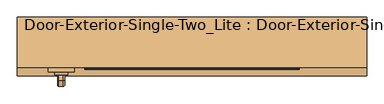
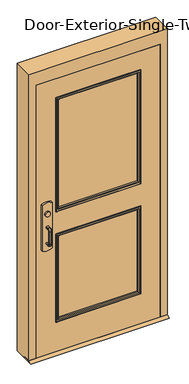
"""IFC4 building model written with IfcOpenShell, lengths in millimetres: door geometry, Door-Exterior-Single-Two_Lite : Door-Exterior-Single-Two_Lite."""

from ifc_helpers import new_model, si_unit, point, frame, frame_2d, origin, place, context, project, spatial, polyline, circle_curve, ellipse_curve, trimmed, segment, composite_curve, outline, extrude, faceted_brep, source, transform, mapped, element, save
from ifc_brep_helpers import plane_surface, cylinder_surface, revolved_surface, advanced_brep


def door_exterior_single_two_lite_door_exterior_single_two_lite_ecbabfca(model_context):
    return source(origin(), model_context, "Body", "SolidModel", [
        extrude(outline(polyline([(-184.15, 12.7), (-158.75, 0.0), (-254.0, 0.0), (-228.6, 12.7), (-184.15, 12.7)])), frame((-508.0, 0.0, 0.0), z_axis=(1.0, 0.0, 0.0), x_axis=(0.0, 1.0, 0.0)), (0.0, 0.0, 1.0), 1016.0),
        extrude(outline(polyline([(150.2833333, -146.05), (150.2833333, -152.4), (-349.25, -152.4), (-349.25, -146.05), (150.2833333, -146.05)])), frame((0.0, 0.0, 990.6), z_axis=(0.0, 0.0, 1.0), x_axis=(1.0, 0.0, 0.0)), (0.0, 0.0, 1.0), 50.8),
        advanced_brep(
        [(-412.75, -152.4, 1041.4), (-349.25, -152.4, 1041.4), (400.05, -152.4, 1041.4), (400.05, -152.4, 990.6), (-349.25, -152.4, 990.6), (-412.75, -152.4, 990.6), (400.05, -184.15, 1041.4), (-349.25, -184.15, 1041.4), (-349.25, -184.15, 1104.9), (-368.3, -184.15, 1123.95), (-393.7, -184.15, 1123.95), (-412.75, -184.15, 1104.9), (-412.75, -184.15, 927.1), (-393.7, -184.15, 908.05), (-368.3, -184.15, 908.05), (-349.25, -184.15, 927.1), (-349.25, -184.15, 990.6), (400.05, -184.15, 990.6), (-412.75, -155.5752467, 1041.4), (-349.25, -155.5752467, 1041.4), (-412.75, -155.5752467, 990.6), (-412.75, -160.5854269, 927.1), (-412.75, -160.5854269, 1104.9), (-349.25, -155.5752467, 990.6), (-349.25, -160.5854269, 1104.9), (-349.25, -160.5854269, 927.1), (-368.3, -162.088481, 1123.95), (-393.7, -162.088481, 1123.95), (-393.7, -162.088481, 908.05), (-368.3, -162.088481, 908.05)],
        [
            (0, 1),
            (1, 2),
            (2, 3),
            (3, 4),
            (4, 5),
            (5, 0),
            (6, 7),
            (7, 8),
            (8, 9, circle_curve(frame((-368.3, -184.15, 1104.9), z_axis=(0.0, -1.0, 0.0), x_axis=(1.0, 0.0, 0.0)), 19.05)),
            (9, 10),
            (10, 11, circle_curve(frame((-393.7, -184.15, 1104.9), z_axis=(0.0, -1.0, 0.0), x_axis=(1.0, 0.0, 0.0)), 19.05)),
            (11, 12),
            (12, 13, circle_curve(frame((-393.7, -184.15, 927.1), z_axis=(0.0, -1.0, 0.0), x_axis=(1.0, 0.0, 0.0)), 19.05)),
            (13, 14),
            (14, 15, circle_curve(frame((-368.3, -184.15, 927.1), z_axis=(0.0, -1.0, 0.0), x_axis=(1.0, 0.0, 0.0)), 19.05)),
            (15, 16),
            (16, 17),
            (17, 6),
            (0, 18),
            (18, 19),
            (19, 7),
            (6, 2),
            (5, 20),
            (20, 21),
            (21, 12),
            (11, 22),
            (22, 18),
            (16, 23),
            (23, 20),
            (3, 17),
            (19, 24),
            (24, 8),
            (15, 25),
            (25, 23),
            (9, 26),
            (26, 27),
            (27, 10),
            (13, 28),
            (28, 29),
            (29, 14),
            (29, 25, ellipse_curve(frame((-368.3, -160.5854269, 927.1), z_axis=(0.0, -0.9969018152893365, 0.07865602756830282), x_axis=(0.0, 0.07865602756830208, 0.9969018152893365)), 19.1092038, 19.05)),
            (24, 26, ellipse_curve(frame((-368.3, -160.5854269, 1104.9), z_axis=(0.0, -0.9969018152893376, -0.07865602756828934), x_axis=(0.0, 0.078656027568288, -0.9969018152893377)), 19.1092038, 19.05)),
            (27, 22, ellipse_curve(frame((-393.7, -160.5854269, 1104.9), z_axis=(0.0, -0.9969018152893376, -0.07865602756828934), x_axis=(0.0, 0.078656027568288, -0.9969018152893377)), 19.1092038, 19.05)),
            (21, 28, ellipse_curve(frame((-393.7, -160.5854269, 927.1), z_axis=(0.0, -0.9969018152893365, 0.07865602756830282), x_axis=(0.0, 0.07865602756830208, 0.9969018152893365)), 19.1092038, 19.05)),
        ],
        [
            plane_surface(frame((-412.75, -152.4, 1041.4), z_axis=(0.0, 1.0, 0.0), x_axis=(-1.0, 0.0, 0.0))),
            plane_surface(frame((-412.75, -184.15, 1041.4), z_axis=(0.0, -1.0, 0.0), x_axis=(1.0, 0.0, 0.0))),
            plane_surface(frame((400.05, -152.4, 1041.4), z_axis=(0.0, 0.0, 1.0), x_axis=(0.0, -1.0, 0.0))),
            plane_surface(frame((-412.75, -152.4, 1041.4), z_axis=(-1.0, 0.0, 0.0), x_axis=(0.0, -1.0, 0.0))),
            plane_surface(frame((-412.75, -152.4, 990.6), z_axis=(0.0, 0.0, -1.0), x_axis=(0.0, -1.0, 0.0))),
            plane_surface(frame((400.05, -152.4, 990.6), z_axis=(1.0, 0.0, 0.0), x_axis=(0.0, -1.0, 0.0))),
            plane_surface(frame((-349.25, -155.5752467, 927.1), z_axis=(1.0, 0.0, 0.0), x_axis=(0.0, -1.0, 0.0))),
            plane_surface(frame((-368.3, -155.5752467, 1123.95), z_axis=(0.0, 0.0, 1.0), x_axis=(0.0, -1.0, 0.0))),
            plane_surface(frame((-393.7, -155.5752467, 908.05), z_axis=(0.0, 0.0, -1.0), x_axis=(0.0, -1.0, 0.0))),
            cylinder_surface(frame((-368.3, -184.15, 927.1), z_axis=(0.0, 1.0, 0.0), x_axis=(1.0, 0.0, 0.0)), 19.05),
            cylinder_surface(frame((-368.3, -184.15, 1104.9), z_axis=(0.0, 1.0, 0.0), x_axis=(1.0, 0.0, 0.0)), 19.05),
            cylinder_surface(frame((-393.7, -184.15, 1104.9), z_axis=(0.0, 1.0, 0.0), x_axis=(1.0, 0.0, 0.0)), 19.05),
            cylinder_surface(frame((-393.7, -184.15, 927.1), z_axis=(0.0, 1.0, 0.0), x_axis=(1.0, 0.0, 0.0)), 19.05),
            plane_surface(frame((-349.25, -155.5752467, 1041.4), z_axis=(0.0, 0.9969018152893376, 0.07865602756828934), x_axis=(-1.0, 0.0, 0.0))),
            plane_surface(frame((-349.25, -162.088481, 908.05), z_axis=(0.0, 0.9969018152893365, -0.07865602756830282), x_axis=(-1.0, 0.0, 0.0))),
        ],
        [
            (0, [[1, 2, 3, 4, 5, 6]]),
            (1, [[7, 8, 9, 10, 11, 12, 13, 14, 15, 16, 17, 18]]),
            (2, [[-2, -1, 19, 20, 21, -7, 22]]),
            (3, [[23, 24, 25, -12, 26, 27, -19, -6]]),
            (4, [[-17, 28, 29, -23, -5, -4, 30]]),
            (5, [[-22, -18, -30, -3]]),
            (6, [[-21, 31, 32, -8]]),
            (6, [[33, 34, -28, -16]]),
            (7, [[35, 36, 37, -10]]),
            (8, [[38, 39, 40, -14]]),
            (9, [[-40, 41, -33, -15]]),
            (10, [[-32, 42, -35, -9]]),
            (11, [[-37, 43, -26, -11]]),
            (12, [[-25, 44, -38, -13]]),
            (13, [[-27, -43, -36, -42, -31, -20]]),
            (14, [[-29, -34, -41, -39, -44, -24]]),
        ],
    ),
        advanced_brep(
        [(-391.0, -241.3, 1017.190625), (-387.428125, -241.3, 1020.7625), (-374.571875, -241.3, 1020.7625), (-371.0, -241.3, 1017.190625), (-371.0, -241.3, 1014.8090406), (-374.5715406, -241.3, 1011.2375), (-387.428125, -241.3, 1011.2375), (-391.0, -241.3, 1014.809375), (-391.0, -241.3, 887.809375), (-391.0, -241.3, 890.190625), (-387.428125, -241.3, 893.7625), (-374.5715406, -241.3, 893.7625), (-371.0, -241.3, 890.1909594), (-371.0, -241.3, 887.809375), (-374.571875, -241.3, 884.2375), (-387.428125, -241.3, 884.2375), (-391.0, -266.7, 1014.809375), (-391.0, -278.209375, 1003.3), (-391.0, -278.209375, 901.7), (-391.0, -266.7, 890.190625), (-391.0, -266.7, 887.809375), (-391.0, -280.590625, 901.7), (-391.0, -280.590625, 1003.3), (-391.0, -266.7, 1017.190625), (-387.428125, -266.7, 1011.2375), (-374.5715406, -266.7, 1011.2375), (-371.0, -266.7, 1014.8090406), (-371.0, -266.7, 1017.190625), (-371.0, -280.590625, 1003.3), (-371.0, -280.590625, 901.7), (-371.0, -266.7, 887.809375), (-371.0, -266.7, 890.1909594), (-371.0, -278.2090406, 901.7), (-371.0, -278.2090406, 1003.3), (-374.571875, -266.7, 1020.7625), (-387.428125, -266.7, 1020.7625), (-387.428125, -274.6375, 1003.3), (-374.5715406, -274.6375, 1003.3), (-374.571875, -284.1625, 1003.3), (-387.428125, -284.1625, 1003.3), (-387.428125, -274.6375, 901.7), (-374.5715406, -274.6375, 901.7), (-374.571875, -284.1625, 901.7), (-387.428125, -284.1625, 901.7), (-387.428125, -266.7, 893.7625), (-374.5715406, -266.7, 893.7625), (-374.571875, -266.7, 884.2375), (-387.428125, -266.7, 884.2375)],
        [
            (0, 1, circle_curve(frame((-387.428125, -241.3, 1017.190625), z_axis=(0.0, 1.0, 0.0), x_axis=(0.0, 0.0, 1.0)), 3.571875)),
            (1, 2),
            (2, 3, circle_curve(frame((-374.571875, -241.3, 1017.190625), z_axis=(0.0, 1.0, 0.0), x_axis=(0.0, 0.0, 1.0)), 3.571875)),
            (3, 4),
            (4, 5, circle_curve(frame((-374.5715406, -241.3, 1014.8090406), z_axis=(0.0, 1.0, 0.0), x_axis=(0.0, 0.0, 1.0)), 3.5715406)),
            (5, 6),
            (6, 7, circle_curve(frame((-387.428125, -241.3, 1014.809375), z_axis=(0.0, 1.0, 0.0), x_axis=(0.0, 0.0, 1.0)), 3.571875)),
            (7, 0),
            (8, 9),
            (9, 10, circle_curve(frame((-387.428125, -241.3, 890.190625), z_axis=(0.0, 1.0, 0.0), x_axis=(0.0, 0.0, -1.0)), 3.571875)),
            (10, 11),
            (11, 12, circle_curve(frame((-374.5715406, -241.3, 890.1909594), z_axis=(0.0, 1.0, 0.0), x_axis=(0.0, 0.0, -1.0)), 3.5715406)),
            (12, 13),
            (13, 14, circle_curve(frame((-374.571875, -241.3, 887.809375), z_axis=(0.0, 1.0, 0.0), x_axis=(0.0, 0.0, -1.0)), 3.571875)),
            (14, 15),
            (15, 8, circle_curve(frame((-387.428125, -241.3, 887.809375), z_axis=(0.0, 1.0, 0.0), x_axis=(0.0, 0.0, -1.0)), 3.571875)),
            (7, 16),
            (16, 17, circle_curve(frame((-391.0, -266.7, 1003.3), z_axis=(1.0, 0.0, 0.0), x_axis=(0.0, 0.0, 1.0)), 11.509375)),
            (17, 18),
            (18, 19, circle_curve(frame((-391.0, -266.7, 901.7), z_axis=(1.0, 0.0, 0.0), x_axis=(0.0, -1.0, 0.0)), 11.509375)),
            (19, 9),
            (8, 20),
            (20, 21, circle_curve(frame((-391.0, -266.7, 901.7), z_axis=(-1.0, 0.0, 0.0), x_axis=(0.0, -1.0, 0.0)), 13.890625)),
            (21, 22),
            (22, 23, circle_curve(frame((-391.0, -266.7, 1003.3), z_axis=(-1.0, 0.0, 0.0), x_axis=(0.0, 0.0, 1.0)), 13.890625)),
            (23, 0),
            (6, 24),
            (24, 16, circle_curve(frame((-387.428125, -266.7, 1014.809375), z_axis=(0.0, 1.0, 0.0), x_axis=(0.0, 0.0, 1.0)), 3.571875)),
            (5, 25),
            (25, 24),
            (4, 26),
            (26, 25, circle_curve(frame((-374.5715406, -266.7, 1014.8090406), z_axis=(0.0, 1.0, 0.0), x_axis=(0.0, 0.0, 1.0)), 3.5715406)),
            (3, 27),
            (27, 28, circle_curve(frame((-371.0, -266.7, 1003.3), z_axis=(1.0, 0.0, 0.0), x_axis=(0.0, 0.0, 1.0)), 13.890625)),
            (28, 29),
            (29, 30, circle_curve(frame((-371.0, -266.7, 901.7), z_axis=(1.0, 0.0, 0.0), x_axis=(0.0, -1.0, 0.0)), 13.890625)),
            (30, 13),
            (12, 31),
            (31, 32, circle_curve(frame((-371.0, -266.7, 901.7), z_axis=(-1.0, 0.0, 0.0), x_axis=(0.0, -1.0, 0.0)), 11.5090406)),
            (32, 33),
            (33, 26, circle_curve(frame((-371.0, -266.7, 1003.3), z_axis=(-1.0, 0.0, 0.0), x_axis=(0.0, 0.0, 1.0)), 11.5090406)),
            (2, 34),
            (34, 27, circle_curve(frame((-374.571875, -266.7, 1017.190625), z_axis=(0.0, 1.0, 0.0), x_axis=(0.0, 0.0, 1.0)), 3.571875)),
            (1, 35),
            (35, 34),
            (23, 35, circle_curve(frame((-387.428125, -266.7, 1017.190625), z_axis=(0.0, 1.0, 0.0), x_axis=(0.0, 0.0, 1.0)), 3.571875)),
            (36, 17, circle_curve(frame((-387.428125, -278.209375, 1003.3), z_axis=(0.0, 0.0, 1.0), x_axis=(0.0, -1.0, 0.0)), 3.571875)),
            (24, 36, circle_curve(frame((-387.428125, -266.7, 1003.3), z_axis=(1.0, 0.0, 0.0), x_axis=(0.0, 0.0, 1.0)), 7.9375)),
            (37, 36),
            (25, 37, circle_curve(frame((-374.5715406, -266.7, 1003.3), z_axis=(1.0, 0.0, 0.0), x_axis=(0.0, 0.0, 1.0)), 7.9375)),
            (33, 37, circle_curve(frame((-374.5715406, -278.2090406, 1003.3), z_axis=(0.0, 0.0, 1.0), x_axis=(0.0, -1.0, 0.0)), 3.5715406)),
            (38, 28, circle_curve(frame((-374.571875, -280.590625, 1003.3), z_axis=(0.0, 0.0, 1.0), x_axis=(0.0, -1.0, 0.0)), 3.571875)),
            (34, 38, circle_curve(frame((-374.571875, -266.7, 1003.3), z_axis=(1.0, 0.0, 0.0), x_axis=(0.0, 0.0, 1.0)), 17.4625)),
            (39, 38),
            (35, 39, circle_curve(frame((-387.428125, -266.7, 1003.3), z_axis=(1.0, 0.0, 0.0), x_axis=(0.0, 0.0, 1.0)), 17.4625)),
            (22, 39, circle_curve(frame((-387.428125, -280.590625, 1003.3), z_axis=(0.0, 0.0, 1.0), x_axis=(0.0, -1.0, 0.0)), 3.571875)),
            (36, 40),
            (40, 18, circle_curve(frame((-387.428125, -278.209375, 901.7), z_axis=(0.0, 0.0, 1.0), x_axis=(0.0, -1.0, 0.0)), 3.571875)),
            (37, 41),
            (41, 40),
            (32, 41, circle_curve(frame((-374.5715406, -278.2090406, 901.7), z_axis=(0.0, 0.0, 1.0), x_axis=(0.0, -1.0, 0.0)), 3.5715406)),
            (38, 42),
            (42, 29, circle_curve(frame((-374.571875, -280.590625, 901.7), z_axis=(0.0, 0.0, 1.0), x_axis=(0.0, -1.0, 0.0)), 3.571875)),
            (39, 43),
            (43, 42),
            (21, 43, circle_curve(frame((-387.428125, -280.590625, 901.7), z_axis=(0.0, 0.0, 1.0), x_axis=(0.0, -1.0, 0.0)), 3.571875)),
            (44, 19, circle_curve(frame((-387.428125, -266.7, 890.190625), z_axis=(0.0, -1.0, 0.0), x_axis=(0.0, 0.0, -1.0)), 3.571875)),
            (40, 44, circle_curve(frame((-387.428125, -266.7, 901.7), z_axis=(1.0, 0.0, 0.0), x_axis=(0.0, -1.0, 0.0)), 7.9375)),
            (45, 44),
            (41, 45, circle_curve(frame((-374.5715406, -266.7, 901.7), z_axis=(1.0, 0.0, 0.0), x_axis=(0.0, -1.0, 0.0)), 7.9375)),
            (31, 45, circle_curve(frame((-374.5715406, -266.7, 890.1909594), z_axis=(0.0, -1.0, 0.0), x_axis=(0.0, 0.0, -1.0)), 3.5715406)),
            (46, 30, circle_curve(frame((-374.571875, -266.7, 887.809375), z_axis=(0.0, -1.0, 0.0), x_axis=(0.0, 0.0, -1.0)), 3.571875)),
            (42, 46, circle_curve(frame((-374.571875, -266.7, 901.7), z_axis=(1.0, 0.0, 0.0), x_axis=(0.0, -1.0, 0.0)), 17.4625)),
            (47, 46),
            (43, 47, circle_curve(frame((-387.428125, -266.7, 901.7), z_axis=(1.0, 0.0, 0.0), x_axis=(0.0, -1.0, 0.0)), 17.4625)),
            (20, 47, circle_curve(frame((-387.428125, -266.7, 887.809375), z_axis=(0.0, -1.0, 0.0), x_axis=(0.0, 0.0, -1.0)), 3.571875)),
            (44, 10),
            (45, 11),
            (46, 14),
            (47, 15),
        ],
        [
            plane_surface(frame((-381.0, -241.3, 1016.0), z_axis=(0.0, 1.0, 0.0), x_axis=(1.0, 0.0, 0.0))),
            plane_surface(frame((-381.0, -241.3, 889.0), z_axis=(0.0, 1.0, 0.0), x_axis=(1.0, 0.0, 0.0))),
            plane_surface(frame((-391.0, -241.3, 1017.190625), z_axis=(-1.0, 0.0, 0.0), x_axis=(0.0, -1.0, 0.0))),
            cylinder_surface(frame((-387.428125, -241.3, 1014.809375), z_axis=(0.0, 1.0, 0.0), x_axis=(0.0, 0.0, 1.0)), 3.571875),
            plane_surface(frame((-387.428125, -241.3, 1011.2375), z_axis=(0.0, 0.0, -1.0), x_axis=(0.0, -1.0, 0.0))),
            cylinder_surface(frame((-374.5715406, -241.3, 1014.8090406), z_axis=(0.0, 1.0, 0.0), x_axis=(0.0, 0.0, 1.0)), 3.5715406),
            plane_surface(frame((-371.0, -241.3, 1014.8090406), z_axis=(1.0, 0.0, 0.0), x_axis=(0.0, -1.0, 0.0))),
            cylinder_surface(frame((-374.571875, -241.3, 1017.190625), z_axis=(0.0, 1.0, 0.0), x_axis=(0.0, 0.0, 1.0)), 3.571875),
            plane_surface(frame((-374.571875, -241.3, 1020.7625), z_axis=(0.0, 0.0, 1.0), x_axis=(0.0, -1.0, 0.0))),
            cylinder_surface(frame((-387.428125, -241.3, 1017.190625), z_axis=(0.0, 1.0, 0.0), x_axis=(0.0, 0.0, 1.0)), 3.571875),
            revolved_surface(trimmed(ellipse_curve(frame((-387.428125, -266.7, 1014.809375), z_axis=(0.0, -1.0, 0.0), x_axis=(0.0, 0.0, 1.0)), 3.571875, 3.571875), [point((-391.0, -266.7, 1014.809375))], [point((-387.428125, -266.7, 1011.2375))], True, "CARTESIAN"), (-381.0, -266.7, 1003.3), (-1.0, 0.0, 0.0)),
            revolved_surface(polyline([(-387.428125, -266.7, 1011.2375), (-374.5715406, -266.7, 1011.2375)]), (-381.0, -266.7, 1003.3), (-1.0, 0.0, 0.0)),
            revolved_surface(trimmed(ellipse_curve(frame((-374.5715406, -266.7, 1014.8090406), z_axis=(0.0, -1.0, 0.0), x_axis=(0.0, 0.0, 1.0)), 3.5715406, 3.5715406), [point((-374.5715406, -266.7, 1011.2375))], [point((-371.0, -266.7, 1014.8090406))], True, "CARTESIAN"), (-381.0, -266.7, 1003.3), (-1.0, 0.0, 0.0)),
            revolved_surface(trimmed(ellipse_curve(frame((-374.571875, -266.7, 1017.190625), z_axis=(0.0, -1.0, 0.0), x_axis=(0.0, 0.0, 1.0)), 3.571875, 3.571875), [point((-371.0, -266.7, 1017.190625))], [point((-374.571875, -266.7, 1020.7625))], True, "CARTESIAN"), (-381.0, -266.7, 1003.3), (-1.0, 0.0, 0.0)),
            cylinder_surface(frame((-381.0, -266.7, 1003.3), z_axis=(-1.0, 0.0, 0.0), x_axis=(0.0, 0.0, 1.0)), 17.4625),
            revolved_surface(trimmed(ellipse_curve(frame((-387.428125, -266.7, 1017.190625), z_axis=(0.0, -1.0, 0.0), x_axis=(0.0, 0.0, 1.0)), 3.571875, 3.571875), [point((-387.428125, -266.7, 1020.7625))], [point((-391.0, -266.7, 1017.190625))], True, "CARTESIAN"), (-381.0, -266.7, 1003.3), (-1.0, 0.0, 0.0)),
            cylinder_surface(frame((-387.428125, -278.209375, 1003.3), z_axis=(0.0, 0.0, 1.0), x_axis=(0.0, -1.0, 0.0)), 3.571875),
            plane_surface(frame((-387.428125, -274.6375, 1003.3), z_axis=(0.0, 1.0, 0.0), x_axis=(0.0, 0.0, -1.0))),
            cylinder_surface(frame((-374.5715406, -278.2090406, 1003.3), z_axis=(0.0, 0.0, 1.0), x_axis=(0.0, -1.0, 0.0)), 3.5715406),
            cylinder_surface(frame((-374.571875, -280.590625, 1003.3), z_axis=(0.0, 0.0, 1.0), x_axis=(0.0, -1.0, 0.0)), 3.571875),
            plane_surface(frame((-374.571875, -284.1625, 1003.3), z_axis=(0.0, -1.0, 0.0), x_axis=(0.0, 0.0, -1.0))),
            cylinder_surface(frame((-387.428125, -280.590625, 1003.3), z_axis=(0.0, 0.0, 1.0), x_axis=(0.0, -1.0, 0.0)), 3.571875),
            revolved_surface(trimmed(ellipse_curve(frame((-387.428125, -278.209375, 901.7), z_axis=(0.0, 0.0, -1.0), x_axis=(0.0, -1.0, 0.0)), 3.571875, 3.571875), [point((-391.0, -278.209375, 901.7))], [point((-387.428125, -274.6375, 901.7))], True, "CARTESIAN"), (-381.0, -266.7, 901.7), (-1.0, 0.0, 0.0)),
            revolved_surface(polyline([(-387.428125, -274.6375, 901.7), (-374.5715406, -274.6375, 901.7)]), (-381.0, -266.7, 901.7), (-1.0, 0.0, 0.0)),
            revolved_surface(trimmed(ellipse_curve(frame((-374.5715406, -278.2090406, 901.7), z_axis=(0.0, 0.0, -1.0), x_axis=(0.0, -1.0, 0.0)), 3.5715406, 3.5715406), [point((-374.5715406, -274.6375, 901.7))], [point((-371.0, -278.2090406, 901.7))], True, "CARTESIAN"), (-381.0, -266.7, 901.7), (-1.0, 0.0, 0.0)),
            revolved_surface(trimmed(ellipse_curve(frame((-374.571875, -280.590625, 901.7), z_axis=(0.0, 0.0, -1.0), x_axis=(0.0, -1.0, 0.0)), 3.571875, 3.571875), [point((-371.0, -280.590625, 901.7))], [point((-374.571875, -284.1625, 901.7))], True, "CARTESIAN"), (-381.0, -266.7, 901.7), (-1.0, 0.0, 0.0)),
            cylinder_surface(frame((-381.0, -266.7, 901.7), z_axis=(-1.0, 0.0, 0.0), x_axis=(0.0, -1.0, 0.0)), 17.4625),
            revolved_surface(trimmed(ellipse_curve(frame((-387.428125, -280.590625, 901.7), z_axis=(0.0, 0.0, -1.0), x_axis=(0.0, -1.0, 0.0)), 3.571875, 3.571875), [point((-387.428125, -284.1625, 901.7))], [point((-391.0, -280.590625, 901.7))], True, "CARTESIAN"), (-381.0, -266.7, 901.7), (-1.0, 0.0, 0.0)),
            cylinder_surface(frame((-387.428125, -266.7, 890.190625), z_axis=(0.0, -1.0, 0.0), x_axis=(0.0, 0.0, -1.0)), 3.571875),
            plane_surface(frame((-387.428125, -266.7, 893.7625), z_axis=(0.0, 0.0, 1.0), x_axis=(0.0, 1.0, 0.0))),
            cylinder_surface(frame((-374.5715406, -266.7, 890.1909594), z_axis=(0.0, -1.0, 0.0), x_axis=(0.0, 0.0, -1.0)), 3.5715406),
            cylinder_surface(frame((-374.571875, -266.7, 887.809375), z_axis=(0.0, -1.0, 0.0), x_axis=(0.0, 0.0, -1.0)), 3.571875),
            plane_surface(frame((-374.571875, -266.7, 884.2375), z_axis=(0.0, 0.0, -1.0), x_axis=(0.0, 1.0, 0.0))),
            cylinder_surface(frame((-387.428125, -266.7, 887.809375), z_axis=(0.0, -1.0, 0.0), x_axis=(0.0, 0.0, -1.0)), 3.571875),
        ],
        [
            (0, [[1, 2, 3, 4, 5, 6, 7, 8]]),
            (1, [[9, 10, 11, 12, 13, 14, 15, 16]]),
            (2, [[17, 18, 19, 20, 21, -9, 22, 23, 24, 25, 26, -8]]),
            (3, [[27, 28, -17, -7]]),
            (4, [[29, 30, -27, -6]]),
            (5, [[31, 32, -29, -5]]),
            (6, [[33, 34, 35, 36, 37, -13, 38, 39, 40, 41, -31, -4]]),
            (7, [[42, 43, -33, -3]]),
            (8, [[44, 45, -42, -2]]),
            (9, [[-26, 46, -44, -1]]),
            (10, [[47, -18, -28, 48]]),
            (11, [[49, -48, -30, 50]]),
            (12, [[51, -50, -32, -41]]),
            (13, [[52, -34, -43, 53]]),
            (14, [[54, -53, -45, 55]]),
            (15, [[56, -55, -46, -25]]),
            (16, [[57, 58, -19, -47]]),
            (17, [[59, 60, -57, -49]]),
            (18, [[-40, 61, -59, -51]]),
            (19, [[62, 63, -35, -52]]),
            (20, [[64, 65, -62, -54]]),
            (21, [[-24, 66, -64, -56]]),
            (22, [[67, -20, -58, 68]]),
            (23, [[69, -68, -60, 70]]),
            (24, [[71, -70, -61, -39]]),
            (25, [[72, -36, -63, 73]]),
            (26, [[74, -73, -65, 75]]),
            (27, [[76, -75, -66, -23]]),
            (28, [[77, -10, -21, -67]]),
            (29, [[78, -11, -77, -69]]),
            (30, [[-38, -12, -78, -71]]),
            (31, [[79, -14, -37, -72]]),
            (32, [[80, -15, -79, -74]]),
            (33, [[-22, -16, -80, -76]]),
        ],
    ),
        extrude(outline(composite_curve([segment(trimmed(circle_curve(frame_2d((1117.6, -381.0)), 19.0), [point((1117.6, -400.0))], [point((1117.6, -362.0))], False, "CARTESIAN"), True, "CONTINUOUS"), segment(trimmed(circle_curve(frame_2d((1117.6, -381.0)), 19.0), [point((1117.6, -362.0))], [point((1117.6, -400.0))], False, "CARTESIAN"), True, "CONTINUOUS")], self_intersect=False)), frame((0.0, -250.03125, 0.0), z_axis=(0.0, 1.0, 0.0), x_axis=(0.0, 0.0, 1.0)), (0.0, 0.0, 1.0), 8.73125),
        extrude(outline(composite_curve([segment(trimmed(circle_curve(frame_2d((1113.0338574, -381.0)), 89.3016225), [point((1193.8, -342.9))], [point((1193.8, -419.1))], False, "CARTESIAN"), True, "CONTINUOUS"), segment(polyline([(1193.8, -419.1), (838.2, -419.1)]), True, "CONTINUOUS"), segment(trimmed(circle_curve(frame_2d((918.9661426, -381.0)), 89.3016225), [point((838.2, -419.1))], [point((838.2, -342.9))], False, "CARTESIAN"), True, "CONTINUOUS"), segment(polyline([(838.2, -342.9), (1193.8, -342.9)]), True, "CONTINUOUS")], self_intersect=False)), frame((0.0, -241.3, 0.0), z_axis=(0.0, 1.0, 0.0), x_axis=(0.0, 0.0, 1.0)), (0.0, 0.0, 1.0), 12.7),
        faceted_brep([(457.2, -179.3875, 0.0), (441.325, -179.3875, 0.0), (441.325, -131.7625, 0.0), (457.2, -131.7625, 0.0), (457.2, -82.55, 0.0), (508.0, -82.55, 0.0), (508.0, -228.6, 0.0), (457.2, -228.6, 0.0), (457.2, -228.6, 2133.6), (457.2, -179.3875, 2133.6), (508.0, -228.6, 2235.2), (-508.0, -228.6, 2235.2), (-508.0, -228.6, 0.0), (-457.2, -228.6, 0.0), (-457.2, -228.6, 2133.6), (508.0, -82.55, 2235.2), (457.2, -82.55, 2133.6), (-457.2, -82.55, 2133.6), (-457.2, -82.55, 0.0), (-508.0, -82.55, 0.0), (-508.0, -82.55, 2235.2), (457.2, -131.7625, 2133.6), (441.325, -131.7625, 2117.725), (-441.325, -131.7625, 2117.725), (-441.325, -131.7625, 0.0), (-457.2, -131.7625, 0.0), (-457.2, -131.7625, 2133.6), (441.325, -179.3875, 2117.725), (-457.2, -179.3875, 2133.6), (-457.2, -179.3875, 0.0), (-441.325, -179.3875, 0.0), (-441.325, -179.3875, 2117.725)], [[[0, 1, 2, 3, 4, 5, 6, 7]], [[7, 8, 9, 0]], [[6, 10, 11, 12, 13, 14, 8, 7]], [[5, 15, 10, 6]], [[4, 16, 17, 18, 19, 20, 15, 5]], [[3, 21, 16, 4]], [[2, 22, 23, 24, 25, 26, 21, 3]], [[1, 27, 22, 2]], [[0, 9, 28, 29, 30, 31, 27, 1]], [[8, 14, 28, 9]], [[16, 21, 26, 17]], [[22, 27, 31, 23]], [[12, 19, 18, 25, 24, 30, 29, 13]], [[13, 29, 28, 14]], [[11, 20, 19, 12]], [[17, 26, 25, 18]], [[23, 31, 30, 24]], [[15, 20, 11, 10]]]),
        extrude(outline(polyline([(2133.6, -457.2), (12.7, -457.2), (12.7, 457.2), (2133.6, 457.2), (2133.6, -457.2)]), holes=[polyline([(1981.2, -304.8), (1981.2, 304.8), (1111.25, 304.8), (1111.25, -304.8), (1981.2, -304.8)]), polyline([(920.75, -304.8), (920.75, 304.8), (254.0, 304.8), (254.0, -304.8), (920.75, -304.8)])]), frame((0.0, -228.6, 0.0), z_axis=(0.0, 1.0, 0.0), x_axis=(0.0, 0.0, 1.0)), (0.0, 0.0, 1.0), 44.45),
        extrude(outline(polyline([(304.8, -196.85), (304.8, -215.9), (-304.8, -215.9), (-304.8, -196.85), (304.8, -196.85)])), frame((0.0, 0.0, 1111.25), z_axis=(0.0, 0.0, 1.0), x_axis=(1.0, 0.0, 0.0)), (0.0, 0.0, 1.0), 869.95),
        extrude(outline(polyline([(304.8, -196.85), (304.8, -215.9), (-304.8, -215.9), (-304.8, -196.85), (304.8, -196.85)])), frame((0.0, 0.0, 254.0), z_axis=(0.0, 0.0, 1.0), x_axis=(1.0, 0.0, 0.0)), (0.0, 0.0, 1.0), 666.75),
        advanced_brep(
        [(304.8, -196.85, 920.75), (304.8, -196.85, 254.0), (304.8, -184.15, 254.0), (304.8, -184.15, 920.75), (292.8, -183.15, 908.75), (292.8, -183.15, 266.0), (292.8, -196.85, 266.0), (292.8, -196.85, 908.75), (297.8, -178.15, 913.75), (297.8, -178.15, 261.0), (312.8, -180.15, 928.75), (312.8, -180.15, 246.0), (310.8, -178.15, 248.0), (310.8, -178.15, 926.75), (312.8, -184.15, 928.75), (312.8, -184.15, 246.0), (-304.8, -196.85, 254.0), (-304.8, -184.15, 254.0), (-292.8, -183.15, 266.0), (-292.8, -196.85, 266.0), (-297.8, -178.15, 261.0), (-312.8, -180.15, 246.0), (-310.8, -178.15, 248.0), (-312.8, -184.15, 246.0), (-304.8, -196.85, 920.75), (-304.8, -184.15, 920.75), (-292.8, -183.15, 908.75), (-292.8, -196.85, 908.75), (-297.8, -178.15, 913.75), (-312.8, -180.15, 928.75), (-310.8, -178.15, 926.75), (-312.8, -184.15, 928.75)],
        [
            (0, 1),
            (1, 2),
            (2, 3),
            (3, 0),
            (4, 5),
            (5, 6),
            (6, 7),
            (7, 4),
            (8, 9),
            (9, 5, ellipse_curve(frame((297.8, -183.15, 261.0), z_axis=(0.7071067811865475, 0.0, 0.7071067811865475), x_axis=(-0.7071067811865474, 0.0, 0.7071067811865476)), 7.0710678, 5.0)),
            (4, 8, ellipse_curve(frame((297.8, -183.15, 913.75), z_axis=(0.7071067811865475, 0.0, -0.7071067811865475), x_axis=(0.7071067811865474, 0.0, 0.7071067811865476)), 7.0710678, 5.0)),
            (10, 11),
            (11, 12, ellipse_curve(frame((310.8, -180.15, 248.0), z_axis=(0.7071067811865475, 0.0, 0.7071067811865475), x_axis=(-0.7071067811865474, 0.0, 0.7071067811865476)), 2.8284271, 2.0)),
            (12, 13),
            (13, 10, ellipse_curve(frame((310.8, -180.15, 926.75), z_axis=(0.7071067811865475, 0.0, -0.7071067811865475), x_axis=(0.7071067811865474, 0.0, 0.7071067811865476)), 2.8284271, 2.0)),
            (14, 15),
            (15, 11),
            (10, 14),
            (1, 16),
            (16, 17),
            (17, 2),
            (5, 18),
            (18, 19),
            (19, 6),
            (9, 20),
            (20, 18, ellipse_curve(frame((-297.8, -183.15, 261.0), z_axis=(0.7071067811865475, 0.0, -0.7071067811865475), x_axis=(0.7071067811865476, 0.0, 0.7071067811865474)), 7.0710678, 5.0)),
            (11, 21),
            (21, 22, ellipse_curve(frame((-310.8, -180.15, 248.0), z_axis=(0.7071067811865475, 0.0, -0.7071067811865475), x_axis=(0.7071067811865476, 0.0, 0.7071067811865474)), 2.8284271, 2.0)),
            (22, 12),
            (15, 23),
            (23, 21),
            (16, 24),
            (24, 25),
            (25, 17),
            (18, 26),
            (26, 27),
            (27, 19),
            (20, 28),
            (28, 26, ellipse_curve(frame((-297.8, -183.15, 913.75), z_axis=(-0.7071067811865475, 0.0, -0.7071067811865475), x_axis=(0.7071067811865474, 0.0, -0.7071067811865476)), 7.0710678, 5.0)),
            (21, 29),
            (29, 30, ellipse_curve(frame((-310.8, -180.15, 926.75), z_axis=(-0.7071067811865475, 0.0, -0.7071067811865475), x_axis=(0.7071067811865474, 0.0, -0.7071067811865476)), 2.8284271, 2.0)),
            (30, 22),
            (23, 31),
            (31, 29),
            (14, 31),
            (25, 3),
            (24, 0),
            (27, 7),
            (26, 4),
            (28, 8),
            (30, 13),
            (29, 10),
        ],
        [
            plane_surface(frame((304.8, -184.15, 920.75), z_axis=(1.0, 0.0, 0.0), x_axis=(0.0, 0.0, -1.0))),
            plane_surface(frame((292.8, -196.85, 908.75), z_axis=(-1.0, 0.0, 0.0), x_axis=(0.0, 0.0, -1.0))),
            cylinder_surface(frame((297.8, -183.15, 920.75), z_axis=(0.0, 0.0, 1.0), x_axis=(1.0, 0.0, 0.0)), 5.0),
            cylinder_surface(frame((310.8, -180.15, 920.75), z_axis=(0.0, 0.0, 1.0), x_axis=(1.0, 0.0, 0.0)), 2.0),
            plane_surface(frame((312.8, -180.15, 928.75), z_axis=(1.0, 0.0, 0.0), x_axis=(0.0, 0.0, -1.0))),
            plane_surface(frame((304.8, -184.15, 254.0), z_axis=(0.0, 0.0, -1.0), x_axis=(-1.0, 0.0, 0.0))),
            plane_surface(frame((292.8, -196.85, 266.0), z_axis=(0.0, 0.0, 1.0), x_axis=(-1.0, 0.0, 0.0))),
            cylinder_surface(frame((304.8, -183.15, 261.0), z_axis=(1.0, 0.0, 0.0), x_axis=(0.0, 0.0, -1.0)), 5.0),
            cylinder_surface(frame((304.8, -180.15, 248.0), z_axis=(1.0, 0.0, 0.0), x_axis=(0.0, 0.0, -1.0)), 2.0),
            plane_surface(frame((312.8, -180.15, 246.0), z_axis=(0.0, 0.0, -1.0), x_axis=(-1.0, 0.0, 0.0))),
            plane_surface(frame((-304.8, -184.15, 254.0), z_axis=(-1.0, 0.0, 0.0), x_axis=(0.0, 0.0, 1.0))),
            plane_surface(frame((-292.8, -196.85, 266.0), z_axis=(1.0, 0.0, 0.0), x_axis=(0.0, 0.0, 1.0))),
            cylinder_surface(frame((-297.8, -183.15, 254.0), z_axis=(0.0, 0.0, -1.0), x_axis=(-1.0, 0.0, 0.0)), 5.0),
            cylinder_surface(frame((-310.8, -180.15, 254.0), z_axis=(0.0, 0.0, -1.0), x_axis=(-1.0, 0.0, 0.0)), 2.0),
            plane_surface(frame((-312.8, -180.15, 246.0), z_axis=(-1.0, 0.0, 0.0), x_axis=(0.0, 0.0, 1.0))),
            plane_surface(frame((-312.8, -184.15, 928.75), z_axis=(0.0, -1.0, 0.0), x_axis=(1.0, 0.0, 0.0))),
            plane_surface(frame((-304.8, -184.15, 920.75), z_axis=(0.0, 0.0, 1.0), x_axis=(1.0, 0.0, 0.0))),
            plane_surface(frame((-304.8, -196.85, 920.75), z_axis=(0.0, -1.0, 0.0), x_axis=(1.0, 0.0, 0.0))),
            plane_surface(frame((-292.8, -196.85, 908.75), z_axis=(0.0, 0.0, -1.0), x_axis=(1.0, 0.0, 0.0))),
            cylinder_surface(frame((-304.8, -183.15, 913.75), z_axis=(-1.0, 0.0, 0.0), x_axis=(0.0, 0.0, 1.0)), 5.0),
            plane_surface(frame((-297.8, -178.15, 913.75), z_axis=(0.0, 1.0, 0.0), x_axis=(1.0, 0.0, 0.0))),
            cylinder_surface(frame((-304.8, -180.15, 926.75), z_axis=(-1.0, 0.0, 0.0), x_axis=(0.0, 0.0, 1.0)), 2.0),
            plane_surface(frame((-312.8, -180.15, 928.75), z_axis=(0.0, 0.0, 1.0), x_axis=(1.0, 0.0, 0.0))),
        ],
        [
            (0, [[1, 2, 3, 4]]),
            (1, [[5, 6, 7, 8]]),
            (2, [[9, 10, -5, 11]]),
            (3, [[12, 13, 14, 15]]),
            (4, [[16, 17, -12, 18]]),
            (5, [[19, 20, 21, -2]]),
            (6, [[22, 23, 24, -6]]),
            (7, [[25, 26, -22, -10]]),
            (8, [[27, 28, 29, -13]]),
            (9, [[30, 31, -27, -17]]),
            (10, [[32, 33, 34, -20]]),
            (11, [[35, 36, 37, -23]]),
            (12, [[38, 39, -35, -26]]),
            (13, [[40, 41, 42, -28]]),
            (14, [[43, 44, -40, -31]]),
            (15, [[-16, 45, -43, -30], [-3, -21, -34, 46]]),
            (16, [[47, -4, -46, -33]]),
            (17, [[-1, -47, -32, -19], [-7, -24, -37, 48]]),
            (18, [[49, -8, -48, -36]]),
            (19, [[50, -11, -49, -39]]),
            (20, [[-14, -29, -42, 51], [-9, -50, -38, -25]]),
            (21, [[52, -15, -51, -41]]),
            (22, [[-45, -18, -52, -44]]),
        ],
    ),
        advanced_brep(
        [(-304.8, -215.9, 920.75), (-304.8, -215.9, 254.0), (-304.8, -228.6, 254.0), (-304.8, -228.6, 920.75), (-292.8, -229.6, 908.75), (-292.8, -229.6, 266.0), (-292.8, -215.9, 266.0), (-292.8, -215.9, 908.75), (-297.8, -234.6, 913.75), (-297.8, -234.6, 261.0), (-312.8, -232.6, 928.75), (-312.8, -232.6, 246.0), (-310.8, -234.6, 248.0), (-310.8, -234.6, 926.75), (-312.8, -228.6, 928.75), (-312.8, -228.6, 246.0), (304.8, -215.9, 254.0), (304.8, -228.6, 254.0), (292.8, -229.6, 266.0), (292.8, -215.9, 266.0), (297.8, -234.6, 261.0), (312.8, -232.6, 246.0), (310.8, -234.6, 248.0), (312.8, -228.6, 246.0), (304.8, -215.9, 920.75), (304.8, -228.6, 920.75), (292.8, -229.6, 908.75), (292.8, -215.9, 908.75), (297.8, -234.6, 913.75), (312.8, -232.6, 928.75), (310.8, -234.6, 926.75), (312.8, -228.6, 928.75)],
        [
            (0, 1),
            (1, 2),
            (2, 3),
            (3, 0),
            (4, 5),
            (5, 6),
            (6, 7),
            (7, 4),
            (8, 9),
            (9, 5, ellipse_curve(frame((-297.8, -229.6, 261.0), z_axis=(-0.7071067811865475, 0.0, 0.7071067811865475), x_axis=(0.7071067811865474, 0.0, 0.7071067811865476)), 7.0710678, 5.0)),
            (4, 8, ellipse_curve(frame((-297.8, -229.6, 913.75), z_axis=(-0.7071067811865475, 0.0, -0.7071067811865475), x_axis=(-0.7071067811865474, 0.0, 0.7071067811865476)), 7.0710678, 5.0)),
            (10, 11),
            (11, 12, ellipse_curve(frame((-310.8, -232.6, 248.0), z_axis=(-0.7071067811865475, 0.0, 0.7071067811865475), x_axis=(0.7071067811865474, 0.0, 0.7071067811865476)), 2.8284271, 2.0)),
            (12, 13),
            (13, 10, ellipse_curve(frame((-310.8, -232.6, 926.75), z_axis=(-0.7071067811865475, 0.0, -0.7071067811865475), x_axis=(-0.7071067811865474, 0.0, 0.7071067811865476)), 2.8284271, 2.0)),
            (14, 15),
            (15, 11),
            (10, 14),
            (1, 16),
            (16, 17),
            (17, 2),
            (5, 18),
            (18, 19),
            (19, 6),
            (9, 20),
            (20, 18, ellipse_curve(frame((297.8, -229.6, 261.0), z_axis=(-0.7071067811865475, 0.0, -0.7071067811865475), x_axis=(-0.7071067811865476, 0.0, 0.7071067811865474)), 7.0710678, 5.0)),
            (11, 21),
            (21, 22, ellipse_curve(frame((310.8, -232.6, 248.0), z_axis=(-0.7071067811865475, 0.0, -0.7071067811865475), x_axis=(-0.7071067811865476, 0.0, 0.7071067811865474)), 2.8284271, 2.0)),
            (22, 12),
            (15, 23),
            (23, 21),
            (16, 24),
            (24, 25),
            (25, 17),
            (18, 26),
            (26, 27),
            (27, 19),
            (20, 28),
            (28, 26, ellipse_curve(frame((297.8, -229.6, 913.75), z_axis=(0.7071067811865475, 0.0, -0.7071067811865475), x_axis=(-0.7071067811865474, 0.0, -0.7071067811865476)), 7.0710678, 5.0)),
            (21, 29),
            (29, 30, ellipse_curve(frame((310.8, -232.6, 926.75), z_axis=(0.7071067811865475, 0.0, -0.7071067811865475), x_axis=(-0.7071067811865474, 0.0, -0.7071067811865476)), 2.8284271, 2.0)),
            (30, 22),
            (23, 31),
            (31, 29),
            (14, 31),
            (25, 3),
            (24, 0),
            (27, 7),
            (26, 4),
            (28, 8),
            (30, 13),
            (29, 10),
        ],
        [
            plane_surface(frame((-304.8, -228.6, 920.75), z_axis=(-1.0, 0.0, 0.0), x_axis=(0.0, 0.0, -1.0))),
            plane_surface(frame((-292.8, -215.9, 908.75), z_axis=(1.0, 0.0, 0.0), x_axis=(0.0, 0.0, -1.0))),
            cylinder_surface(frame((-297.8, -229.6, 920.75), z_axis=(0.0, 0.0, 1.0), x_axis=(-1.0, 0.0, 0.0)), 5.0),
            cylinder_surface(frame((-310.8, -232.6, 920.75), z_axis=(0.0, 0.0, 1.0), x_axis=(-1.0, 0.0, 0.0)), 2.0),
            plane_surface(frame((-312.8, -232.6, 928.75), z_axis=(-1.0, 0.0, 0.0), x_axis=(0.0, 0.0, -1.0))),
            plane_surface(frame((-304.8, -228.6, 254.0), z_axis=(0.0, 0.0, -1.0), x_axis=(1.0, 0.0, 0.0))),
            plane_surface(frame((-292.8, -215.9, 266.0), z_axis=(0.0, 0.0, 1.0), x_axis=(1.0, 0.0, 0.0))),
            cylinder_surface(frame((-304.8, -229.6, 261.0), z_axis=(-1.0, 0.0, 0.0), x_axis=(0.0, 0.0, -1.0)), 5.0),
            cylinder_surface(frame((-304.8, -232.6, 248.0), z_axis=(-1.0, 0.0, 0.0), x_axis=(0.0, 0.0, -1.0)), 2.0),
            plane_surface(frame((-312.8, -232.6, 246.0), z_axis=(0.0, 0.0, -1.0), x_axis=(1.0, 0.0, 0.0))),
            plane_surface(frame((304.8, -228.6, 254.0), z_axis=(1.0, 0.0, 0.0), x_axis=(0.0, 0.0, 1.0))),
            plane_surface(frame((292.8, -215.9, 266.0), z_axis=(-1.0, 0.0, 0.0), x_axis=(0.0, 0.0, 1.0))),
            cylinder_surface(frame((297.8, -229.6, 254.0), z_axis=(0.0, 0.0, -1.0), x_axis=(1.0, 0.0, 0.0)), 5.0),
            cylinder_surface(frame((310.8, -232.6, 254.0), z_axis=(0.0, 0.0, -1.0), x_axis=(1.0, 0.0, 0.0)), 2.0),
            plane_surface(frame((312.8, -232.6, 246.0), z_axis=(1.0, 0.0, 0.0), x_axis=(0.0, 0.0, 1.0))),
            plane_surface(frame((312.8, -228.6, 928.75), z_axis=(0.0, 1.0, 0.0), x_axis=(-1.0, 0.0, 0.0))),
            plane_surface(frame((304.8, -228.6, 920.75), z_axis=(0.0, 0.0, 1.0), x_axis=(-1.0, 0.0, 0.0))),
            plane_surface(frame((304.8, -215.9, 920.75), z_axis=(0.0, 1.0, 0.0), x_axis=(-1.0, 0.0, 0.0))),
            plane_surface(frame((292.8, -215.9, 908.75), z_axis=(0.0, 0.0, -1.0), x_axis=(-1.0, 0.0, 0.0))),
            cylinder_surface(frame((304.8, -229.6, 913.75), z_axis=(1.0, 0.0, 0.0), x_axis=(0.0, 0.0, 1.0)), 5.0),
            plane_surface(frame((297.8, -234.6, 913.75), z_axis=(0.0, -1.0, 0.0), x_axis=(-1.0, 0.0, 0.0))),
            cylinder_surface(frame((304.8, -232.6, 926.75), z_axis=(1.0, 0.0, 0.0), x_axis=(0.0, 0.0, 1.0)), 2.0),
            plane_surface(frame((312.8, -232.6, 928.75), z_axis=(0.0, 0.0, 1.0), x_axis=(-1.0, 0.0, 0.0))),
        ],
        [
            (0, [[1, 2, 3, 4]]),
            (1, [[5, 6, 7, 8]]),
            (2, [[9, 10, -5, 11]]),
            (3, [[12, 13, 14, 15]]),
            (4, [[16, 17, -12, 18]]),
            (5, [[19, 20, 21, -2]]),
            (6, [[22, 23, 24, -6]]),
            (7, [[25, 26, -22, -10]]),
            (8, [[27, 28, 29, -13]]),
            (9, [[30, 31, -27, -17]]),
            (10, [[32, 33, 34, -20]]),
            (11, [[35, 36, 37, -23]]),
            (12, [[38, 39, -35, -26]]),
            (13, [[40, 41, 42, -28]]),
            (14, [[43, 44, -40, -31]]),
            (15, [[-16, 45, -43, -30], [-3, -21, -34, 46]]),
            (16, [[47, -4, -46, -33]]),
            (17, [[-1, -47, -32, -19], [-7, -24, -37, 48]]),
            (18, [[49, -8, -48, -36]]),
            (19, [[50, -11, -49, -39]]),
            (20, [[-14, -29, -42, 51], [-9, -50, -38, -25]]),
            (21, [[52, -15, -51, -41]]),
            (22, [[-45, -18, -52, -44]]),
        ],
    ),
        advanced_brep(
        [(-304.8, -196.85, 1111.25), (-304.8, -196.85, 1981.2), (-304.8, -184.15, 1981.2), (-304.8, -184.15, 1111.25), (-292.8, -183.15, 1123.25), (-292.8, -183.15, 1969.2), (-292.8, -196.85, 1969.2), (-292.8, -196.85, 1123.25), (-297.8, -178.15, 1118.25), (-297.8, -178.15, 1974.2), (-312.8, -180.15, 1103.25), (-312.8, -180.15, 1989.2), (-310.8, -178.15, 1987.2), (-310.8, -178.15, 1105.25), (-312.8, -184.15, 1103.25), (-312.8, -184.15, 1989.2), (304.8, -196.85, 1981.2), (304.8, -184.15, 1981.2), (292.8, -183.15, 1969.2), (292.8, -196.85, 1969.2), (297.8, -178.15, 1974.2), (312.8, -180.15, 1989.2), (310.8, -178.15, 1987.2), (312.8, -184.15, 1989.2), (304.8, -196.85, 1111.25), (304.8, -184.15, 1111.25), (292.8, -183.15, 1123.25), (292.8, -196.85, 1123.25), (297.8, -178.15, 1118.25), (312.8, -180.15, 1103.25), (310.8, -178.15, 1105.25), (312.8, -184.15, 1103.25)],
        [
            (0, 1),
            (1, 2),
            (2, 3),
            (3, 0),
            (4, 5),
            (5, 6),
            (6, 7),
            (7, 4),
            (8, 9),
            (9, 5, ellipse_curve(frame((-297.8, -183.15, 1974.2), z_axis=(-0.7071067811865475, 0.0, -0.7071067811865475), x_axis=(0.7071067811865474, 0.0, -0.7071067811865476)), 7.0710678, 5.0)),
            (4, 8, ellipse_curve(frame((-297.8, -183.15, 1118.25), z_axis=(-0.7071067811865475, 0.0, 0.7071067811865475), x_axis=(-0.7071067811865474, 0.0, -0.7071067811865476)), 7.0710678, 5.0)),
            (10, 11),
            (11, 12, ellipse_curve(frame((-310.8, -180.15, 1987.2), z_axis=(-0.7071067811865475, 0.0, -0.7071067811865475), x_axis=(0.7071067811865474, 0.0, -0.7071067811865476)), 2.8284271, 2.0)),
            (12, 13),
            (13, 10, ellipse_curve(frame((-310.8, -180.15, 1105.25), z_axis=(-0.7071067811865475, 0.0, 0.7071067811865475), x_axis=(-0.7071067811865474, 0.0, -0.7071067811865476)), 2.8284271, 2.0)),
            (14, 15),
            (15, 11),
            (10, 14),
            (1, 16),
            (16, 17),
            (17, 2),
            (5, 18),
            (18, 19),
            (19, 6),
            (9, 20),
            (20, 18, ellipse_curve(frame((297.8, -183.15, 1974.2), z_axis=(-0.7071067811865475, 0.0, 0.7071067811865475), x_axis=(-0.7071067811865476, 0.0, -0.7071067811865474)), 7.0710678, 5.0)),
            (11, 21),
            (21, 22, ellipse_curve(frame((310.8, -180.15, 1987.2), z_axis=(-0.7071067811865475, 0.0, 0.7071067811865475), x_axis=(-0.7071067811865476, 0.0, -0.7071067811865474)), 2.8284271, 2.0)),
            (22, 12),
            (15, 23),
            (23, 21),
            (16, 24),
            (24, 25),
            (25, 17),
            (18, 26),
            (26, 27),
            (27, 19),
            (20, 28),
            (28, 26, ellipse_curve(frame((297.8, -183.15, 1118.25), z_axis=(0.7071067811865475, 0.0, 0.7071067811865475), x_axis=(-0.7071067811865474, 0.0, 0.7071067811865476)), 7.0710678, 5.0)),
            (21, 29),
            (29, 30, ellipse_curve(frame((310.8, -180.15, 1105.25), z_axis=(0.7071067811865475, 0.0, 0.7071067811865475), x_axis=(-0.7071067811865474, 0.0, 0.7071067811865476)), 2.8284271, 2.0)),
            (30, 22),
            (23, 31),
            (31, 29),
            (14, 31),
            (25, 3),
            (24, 0),
            (27, 7),
            (26, 4),
            (28, 8),
            (30, 13),
            (29, 10),
        ],
        [
            plane_surface(frame((-304.8, -184.15, 1111.25), z_axis=(-1.0, 0.0, 0.0), x_axis=(0.0, 0.0, 1.0))),
            plane_surface(frame((-292.8, -196.85, 1123.25), z_axis=(1.0, 0.0, 0.0), x_axis=(0.0, 0.0, 1.0))),
            cylinder_surface(frame((-297.8, -183.15, 1111.25), z_axis=(0.0, 0.0, -1.0), x_axis=(-1.0, 0.0, 0.0)), 5.0),
            cylinder_surface(frame((-310.8, -180.15, 1111.25), z_axis=(0.0, 0.0, -1.0), x_axis=(-1.0, 0.0, 0.0)), 2.0),
            plane_surface(frame((-312.8, -180.15, 1103.25), z_axis=(-1.0, 0.0, 0.0), x_axis=(0.0, 0.0, 1.0))),
            plane_surface(frame((-304.8, -184.15, 1981.2), z_axis=(0.0, 0.0, 1.0), x_axis=(1.0, 0.0, 0.0))),
            plane_surface(frame((-292.8, -196.85, 1969.2), z_axis=(0.0, 0.0, -1.0), x_axis=(1.0, 0.0, 0.0))),
            cylinder_surface(frame((-304.8, -183.15, 1974.2), z_axis=(-1.0, 0.0, 0.0), x_axis=(0.0, 0.0, 1.0)), 5.0),
            cylinder_surface(frame((-304.8, -180.15, 1987.2), z_axis=(-1.0, 0.0, 0.0), x_axis=(0.0, 0.0, 1.0)), 2.0),
            plane_surface(frame((-312.8, -180.15, 1989.2), z_axis=(0.0, 0.0, 1.0), x_axis=(1.0, 0.0, 0.0))),
            plane_surface(frame((304.8, -184.15, 1981.2), z_axis=(1.0, 0.0, 0.0), x_axis=(0.0, 0.0, -1.0))),
            plane_surface(frame((292.8, -196.85, 1969.2), z_axis=(-1.0, 0.0, 0.0), x_axis=(0.0, 0.0, -1.0))),
            cylinder_surface(frame((297.8, -183.15, 1981.2), z_axis=(0.0, 0.0, 1.0), x_axis=(1.0, 0.0, 0.0)), 5.0),
            cylinder_surface(frame((310.8, -180.15, 1981.2), z_axis=(0.0, 0.0, 1.0), x_axis=(1.0, 0.0, 0.0)), 2.0),
            plane_surface(frame((312.8, -180.15, 1989.2), z_axis=(1.0, 0.0, 0.0), x_axis=(0.0, 0.0, -1.0))),
            plane_surface(frame((312.8, -184.15, 1103.25), z_axis=(0.0, -1.0, 0.0), x_axis=(-1.0, 0.0, 0.0))),
            plane_surface(frame((304.8, -184.15, 1111.25), z_axis=(0.0, 0.0, -1.0), x_axis=(-1.0, 0.0, 0.0))),
            plane_surface(frame((304.8, -196.85, 1111.25), z_axis=(0.0, -1.0, 0.0), x_axis=(-1.0, 0.0, 0.0))),
            plane_surface(frame((292.8, -196.85, 1123.25), z_axis=(0.0, 0.0, 1.0), x_axis=(-1.0, 0.0, 0.0))),
            cylinder_surface(frame((304.8, -183.15, 1118.25), z_axis=(1.0, 0.0, 0.0), x_axis=(0.0, 0.0, -1.0)), 5.0),
            plane_surface(frame((297.8, -178.15, 1118.25), z_axis=(0.0, 1.0, 0.0), x_axis=(-1.0, 0.0, 0.0))),
            cylinder_surface(frame((304.8, -180.15, 1105.25), z_axis=(1.0, 0.0, 0.0), x_axis=(0.0, 0.0, -1.0)), 2.0),
            plane_surface(frame((312.8, -180.15, 1103.25), z_axis=(0.0, 0.0, -1.0), x_axis=(-1.0, 0.0, 0.0))),
        ],
        [
            (0, [[1, 2, 3, 4]]),
            (1, [[5, 6, 7, 8]]),
            (2, [[9, 10, -5, 11]]),
            (3, [[12, 13, 14, 15]]),
            (4, [[16, 17, -12, 18]]),
            (5, [[19, 20, 21, -2]]),
            (6, [[22, 23, 24, -6]]),
            (7, [[25, 26, -22, -10]]),
            (8, [[27, 28, 29, -13]]),
            (9, [[30, 31, -27, -17]]),
            (10, [[32, 33, 34, -20]]),
            (11, [[35, 36, 37, -23]]),
            (12, [[38, 39, -35, -26]]),
            (13, [[40, 41, 42, -28]]),
            (14, [[43, 44, -40, -31]]),
            (15, [[-16, 45, -43, -30], [-3, -21, -34, 46]]),
            (16, [[47, -4, -46, -33]]),
            (17, [[-1, -47, -32, -19], [-7, -24, -37, 48]]),
            (18, [[49, -8, -48, -36]]),
            (19, [[50, -11, -49, -39]]),
            (20, [[-14, -29, -42, 51], [-9, -50, -38, -25]]),
            (21, [[52, -15, -51, -41]]),
            (22, [[-45, -18, -52, -44]]),
        ],
    ),
        advanced_brep(
        [(-304.8, -215.9, 1981.2), (-304.8, -215.9, 1111.25), (-304.8, -228.6, 1111.25), (-304.8, -228.6, 1981.2), (-292.8, -229.6, 1969.2), (-292.8, -229.6, 1123.25), (-292.8, -215.9, 1123.25), (-292.8, -215.9, 1969.2), (-297.8, -234.6, 1974.2), (-297.8, -234.6, 1118.25), (-312.8, -232.6, 1989.2), (-312.8, -232.6, 1103.25), (-310.8, -234.6, 1105.25), (-310.8, -234.6, 1987.2), (-312.8, -228.6, 1989.2), (-312.8, -228.6, 1103.25), (304.8, -215.9, 1111.25), (304.8, -228.6, 1111.25), (292.8, -229.6, 1123.25), (292.8, -215.9, 1123.25), (297.8, -234.6, 1118.25), (312.8, -232.6, 1103.25), (310.8, -234.6, 1105.25), (312.8, -228.6, 1103.25), (304.8, -215.9, 1981.2), (304.8, -228.6, 1981.2), (292.8, -229.6, 1969.2), (292.8, -215.9, 1969.2), (297.8, -234.6, 1974.2), (312.8, -232.6, 1989.2), (310.8, -234.6, 1987.2), (312.8, -228.6, 1989.2)],
        [
            (0, 1),
            (1, 2),
            (2, 3),
            (3, 0),
            (4, 5),
            (5, 6),
            (6, 7),
            (7, 4),
            (8, 9),
            (9, 5, ellipse_curve(frame((-297.8, -229.6, 1118.25), z_axis=(-0.7071067811865475, 0.0, 0.7071067811865475), x_axis=(0.7071067811865474, 0.0, 0.7071067811865476)), 7.0710678, 5.0)),
            (4, 8, ellipse_curve(frame((-297.8, -229.6, 1974.2), z_axis=(-0.7071067811865475, 0.0, -0.7071067811865475), x_axis=(-0.7071067811865474, 0.0, 0.7071067811865476)), 7.0710678, 5.0)),
            (10, 11),
            (11, 12, ellipse_curve(frame((-310.8, -232.6, 1105.25), z_axis=(-0.7071067811865475, 0.0, 0.7071067811865475), x_axis=(0.7071067811865474, 0.0, 0.7071067811865476)), 2.8284271, 2.0)),
            (12, 13),
            (13, 10, ellipse_curve(frame((-310.8, -232.6, 1987.2), z_axis=(-0.7071067811865475, 0.0, -0.7071067811865475), x_axis=(-0.7071067811865474, 0.0, 0.7071067811865476)), 2.8284271, 2.0)),
            (14, 15),
            (15, 11),
            (10, 14),
            (1, 16),
            (16, 17),
            (17, 2),
            (5, 18),
            (18, 19),
            (19, 6),
            (9, 20),
            (20, 18, ellipse_curve(frame((297.8, -229.6, 1118.25), z_axis=(-0.7071067811865475, 0.0, -0.7071067811865475), x_axis=(-0.7071067811865476, 0.0, 0.7071067811865474)), 7.0710678, 5.0)),
            (11, 21),
            (21, 22, ellipse_curve(frame((310.8, -232.6, 1105.25), z_axis=(-0.7071067811865475, 0.0, -0.7071067811865475), x_axis=(-0.7071067811865476, 0.0, 0.7071067811865474)), 2.8284271, 2.0)),
            (22, 12),
            (15, 23),
            (23, 21),
            (16, 24),
            (24, 25),
            (25, 17),
            (18, 26),
            (26, 27),
            (27, 19),
            (20, 28),
            (28, 26, ellipse_curve(frame((297.8, -229.6, 1974.2), z_axis=(0.7071067811865475, 0.0, -0.7071067811865475), x_axis=(-0.7071067811865474, 0.0, -0.7071067811865476)), 7.0710678, 5.0)),
            (21, 29),
            (29, 30, ellipse_curve(frame((310.8, -232.6, 1987.2), z_axis=(0.7071067811865475, 0.0, -0.7071067811865475), x_axis=(-0.7071067811865474, 0.0, -0.7071067811865476)), 2.8284271, 2.0)),
            (30, 22),
            (23, 31),
            (31, 29),
            (14, 31),
            (25, 3),
            (24, 0),
            (27, 7),
            (26, 4),
            (28, 8),
            (30, 13),
            (29, 10),
        ],
        [
            plane_surface(frame((-304.8, -228.6, 1981.2), z_axis=(-1.0, 0.0, 0.0), x_axis=(0.0, 0.0, -1.0))),
            plane_surface(frame((-292.8, -215.9, 1969.2), z_axis=(1.0, 0.0, 0.0), x_axis=(0.0, 0.0, -1.0))),
            cylinder_surface(frame((-297.8, -229.6, 1981.2), z_axis=(0.0, 0.0, 1.0), x_axis=(-1.0, 0.0, 0.0)), 5.0),
            cylinder_surface(frame((-310.8, -232.6, 1981.2), z_axis=(0.0, 0.0, 1.0), x_axis=(-1.0, 0.0, 0.0)), 2.0),
            plane_surface(frame((-312.8, -232.6, 1989.2), z_axis=(-1.0, 0.0, 0.0), x_axis=(0.0, 0.0, -1.0))),
            plane_surface(frame((-304.8, -228.6, 1111.25), z_axis=(0.0, 0.0, -1.0), x_axis=(1.0, 0.0, 0.0))),
            plane_surface(frame((-292.8, -215.9, 1123.25), z_axis=(0.0, 0.0, 1.0), x_axis=(1.0, 0.0, 0.0))),
            cylinder_surface(frame((-304.8, -229.6, 1118.25), z_axis=(-1.0, 0.0, 0.0), x_axis=(0.0, 0.0, -1.0)), 5.0),
            cylinder_surface(frame((-304.8, -232.6, 1105.25), z_axis=(-1.0, 0.0, 0.0), x_axis=(0.0, 0.0, -1.0)), 2.0),
            plane_surface(frame((-312.8, -232.6, 1103.25), z_axis=(0.0, 0.0, -1.0), x_axis=(1.0, 0.0, 0.0))),
            plane_surface(frame((304.8, -228.6, 1111.25), z_axis=(1.0, 0.0, 0.0), x_axis=(0.0, 0.0, 1.0))),
            plane_surface(frame((292.8, -215.9, 1123.25), z_axis=(-1.0, 0.0, 0.0), x_axis=(0.0, 0.0, 1.0))),
            cylinder_surface(frame((297.8, -229.6, 1111.25), z_axis=(0.0, 0.0, -1.0), x_axis=(1.0, 0.0, 0.0)), 5.0),
            cylinder_surface(frame((310.8, -232.6, 1111.25), z_axis=(0.0, 0.0, -1.0), x_axis=(1.0, 0.0, 0.0)), 2.0),
            plane_surface(frame((312.8, -232.6, 1103.25), z_axis=(1.0, 0.0, 0.0), x_axis=(0.0, 0.0, 1.0))),
            plane_surface(frame((312.8, -228.6, 1989.2), z_axis=(0.0, 1.0, 0.0), x_axis=(-1.0, 0.0, 0.0))),
            plane_surface(frame((304.8, -228.6, 1981.2), z_axis=(0.0, 0.0, 1.0), x_axis=(-1.0, 0.0, 0.0))),
            plane_surface(frame((304.8, -215.9, 1981.2), z_axis=(0.0, 1.0, 0.0), x_axis=(-1.0, 0.0, 0.0))),
            plane_surface(frame((292.8, -215.9, 1969.2), z_axis=(0.0, 0.0, -1.0), x_axis=(-1.0, 0.0, 0.0))),
            cylinder_surface(frame((304.8, -229.6, 1974.2), z_axis=(1.0, 0.0, 0.0), x_axis=(0.0, 0.0, 1.0)), 5.0),
            plane_surface(frame((297.8, -234.6, 1974.2), z_axis=(0.0, -1.0, 0.0), x_axis=(-1.0, 0.0, 0.0))),
            cylinder_surface(frame((304.8, -232.6, 1987.2), z_axis=(1.0, 0.0, 0.0), x_axis=(0.0, 0.0, 1.0)), 2.0),
            plane_surface(frame((312.8, -232.6, 1989.2), z_axis=(0.0, 0.0, 1.0), x_axis=(-1.0, 0.0, 0.0))),
        ],
        [
            (0, [[1, 2, 3, 4]]),
            (1, [[5, 6, 7, 8]]),
            (2, [[9, 10, -5, 11]]),
            (3, [[12, 13, 14, 15]]),
            (4, [[16, 17, -12, 18]]),
            (5, [[19, 20, 21, -2]]),
            (6, [[22, 23, 24, -6]]),
            (7, [[25, 26, -22, -10]]),
            (8, [[27, 28, 29, -13]]),
            (9, [[30, 31, -27, -17]]),
            (10, [[32, 33, 34, -20]]),
            (11, [[35, 36, 37, -23]]),
            (12, [[38, 39, -35, -26]]),
            (13, [[40, 41, 42, -28]]),
            (14, [[43, 44, -40, -31]]),
            (15, [[-16, 45, -43, -30], [-3, -21, -34, 46]]),
            (16, [[47, -4, -46, -33]]),
            (17, [[-1, -47, -32, -19], [-7, -24, -37, 48]]),
            (18, [[49, -8, -48, -36]]),
            (19, [[50, -11, -49, -39]]),
            (20, [[-14, -29, -42, 51], [-9, -50, -38, -25]]),
            (21, [[52, -15, -51, -41]]),
            (22, [[-45, -18, -52, -44]]),
        ],
    ),
    ])


if __name__ == "__main__":
    model = new_model("IFC4")
    model_context = context("Model", 3, world=origin())
    ifc_project = project(units=[si_unit("LENGTHUNIT", "METRE", prefix="MILLI")], contexts=[model_context])
    site = spatial("IfcSite", under=ifc_project)
    building = spatial("IfcBuilding", under=site)
    placement = place(None, origin())
    door_exterior_single_two_lite_door_exterior_single_two_lite_shape = door_exterior_single_two_lite_door_exterior_single_two_lite_ecbabfca(model_context)
    element("IfcDoor", 1, ObjectType="Door-Exterior-Single-Two_Lite : Door-Exterior-Single-Two_Lite", at=placement, inside=building, context=model_context, shape_type="MappedRepresentation", body=[
        mapped(door_exterior_single_two_lite_door_exterior_single_two_lite_shape, transform((0.0, 0.0, 0.0), x_axis=(1.0, 0.0, 0.0), y_axis=(0.0, 1.0, 0.0), z_axis=(0.0, 0.0, 1.0))),
    ])
    save(model, "model.ifc")
